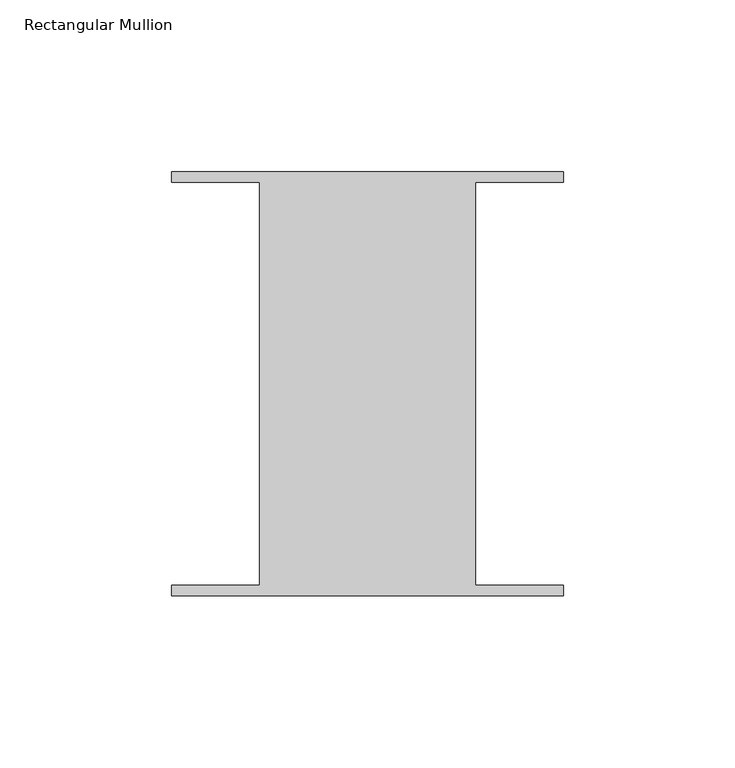
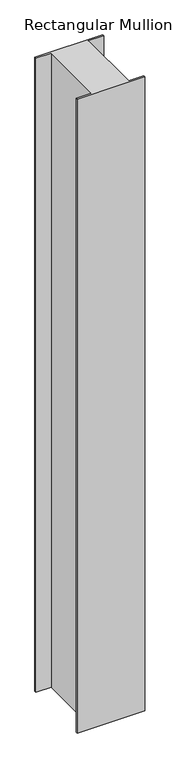
"""IFC4 building model written with IfcOpenShell, lengths in millimetres: member geometry, Rectangular Mullion."""

from ifc_helpers import new_model, si_unit, frame, origin, place, context, project, spatial, polyline, outline, extrude, source, transform, mapped, element, save


def rectangular_mullion_ba39ba68(model_context):
    return source(origin(), model_context, "Body", "SweptSolid", [
        extrude(outline(polyline([(31.4523438, 58.6995588), (31.4523437, -58.7754412), (57.15, -58.7754413), (57.15, -61.8512225), (-57.15, -61.8512225), (-57.15, -58.7754413), (-31.4523438, -58.7754412), (-31.4523437, 58.6995588), (-57.15, 58.6995587), (-57.15, 61.77534), (57.15, 61.77534), (57.15, 58.6995587), (31.4523438, 58.6995588)])), frame((0.0, 0.0, -1130.2999997), z_axis=(0.0, 0.0, 1.0), x_axis=(1.0, 0.0, 0.0)), (0.0, 0.0, 1.0), 1130.2999997),
    ])


if __name__ == "__main__":
    model = new_model("IFC4")
    model_context = context("Model", 3, world=origin())
    ifc_project = project(units=[si_unit("LENGTHUNIT", "METRE", prefix="MILLI")], contexts=[model_context])
    site = spatial("IfcSite", under=ifc_project)
    building = spatial("IfcBuilding", under=site)
    placement = place(None, origin())
    rectangular_mullion_shape = rectangular_mullion_ba39ba68(model_context)
    element("IfcMember", 1, ObjectType="Rectangular Mullion", at=placement, inside=building, context=model_context, shape_type="MappedRepresentation", body=[
        mapped(rectangular_mullion_shape, transform((0.0, 0.0, 0.0), x_axis=(1.0, 0.0, 0.0), y_axis=(0.0, 1.0, 0.0), z_axis=(0.0, 0.0, 1.0))),
    ])
    save(model, "model.ifc")
